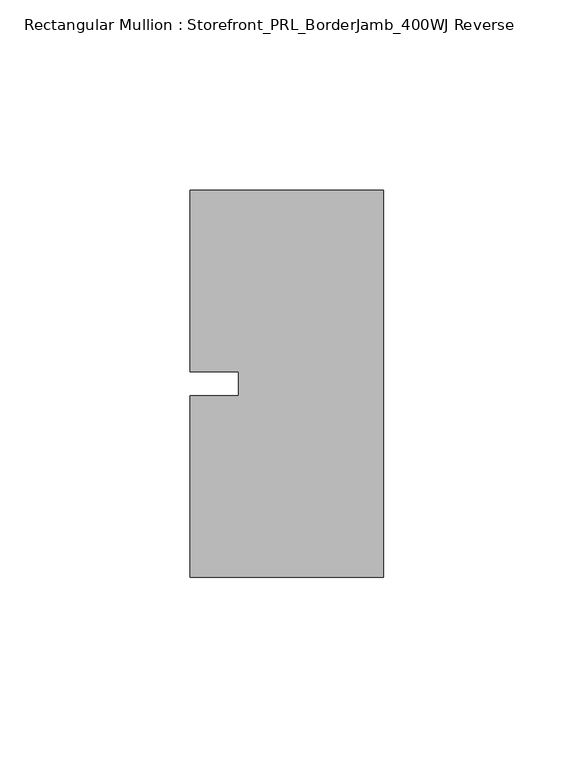
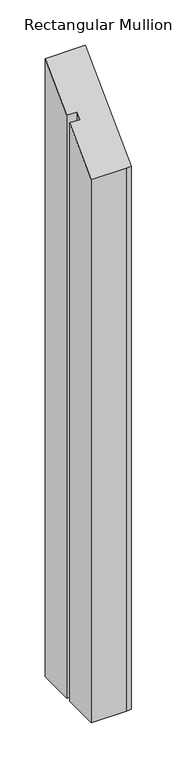
"""IFC4 building model written with IfcOpenShell, lengths in millimetres: member geometry, Rectangular Mullion : Storefront_PRL_BorderJamb_400WJ Reverse."""

from ifc_helpers import new_model, si_unit, origin, place, context, project, spatial, faceted_brep, source, transform, mapped, element, save


def rectangular_mullion_storefront_prl_borderjamb_400wj_reverse_ad7dfda7(model_context):
    return source(origin(), model_context, "Body", "Brep", [
        faceted_brep([(-38.1, -3.175, -782.1083333), (-38.1, 3.175, -782.1083333), (-50.8, 3.175, -782.1083333), (-50.8, 50.8, -782.1083333), (-7.3958824, 50.8, -782.1083333), (0.0, 50.8, -782.1083333), (0.0, -50.8, -782.1083333), (-6.35, -50.8, -782.1083333), (-50.8, -50.8, -782.1083333), (-50.8, -3.175, -782.1083333), (-50.8, -3.175, -3.175), (-38.1, -3.175, -3.175), (-50.8, -50.8, -50.8), (-6.35, -50.8, -50.8), (0.0, -50.8, -50.8), (0.0, 50.8, 50.8), (-7.3958824, 50.8, 50.8), (-50.8, 50.8, 50.8), (-50.8, 3.175, 3.175), (-38.1, 3.175, 3.175)], [[[0, 1, 2, 3, 4, 5, 6, 7, 8, 9]], [[10, 11, 0, 9]], [[12, 10, 9, 8]], [[13, 12, 8, 7]], [[14, 13, 7, 6]], [[15, 14, 6, 5]], [[16, 15, 5, 4]], [[17, 16, 4, 3]], [[18, 17, 3, 2]], [[19, 18, 2, 1]], [[11, 19, 1, 0]], [[11, 10, 12, 13, 14, 15, 16, 17, 18, 19]]]),
    ])


if __name__ == "__main__":
    model = new_model("IFC4")
    model_context = context("Model", 3, world=origin())
    ifc_project = project(units=[si_unit("LENGTHUNIT", "METRE", prefix="MILLI")], contexts=[model_context])
    site = spatial("IfcSite", under=ifc_project)
    building = spatial("IfcBuilding", under=site)
    placement = place(None, origin())
    rectangular_mullion_storefront_prl_borderjamb_400wj_reverse_shape = rectangular_mullion_storefront_prl_borderjamb_400wj_reverse_ad7dfda7(model_context)
    element("IfcMember", 1, ObjectType="Rectangular Mullion : Storefront_PRL_BorderJamb_400WJ Reverse", at=placement, inside=building, context=model_context, shape_type="MappedRepresentation", body=[
        mapped(rectangular_mullion_storefront_prl_borderjamb_400wj_reverse_shape, transform((0.0, 0.0, 0.0), x_axis=(1.0, 0.0, 0.0), y_axis=(0.0, 1.0, 0.0), z_axis=(0.0, 0.0, 1.0))),
    ])
    save(model, "model.ifc")
